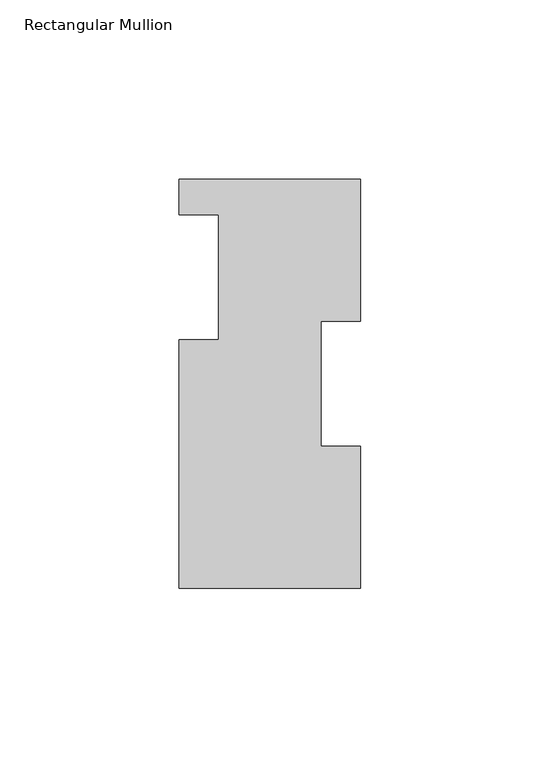
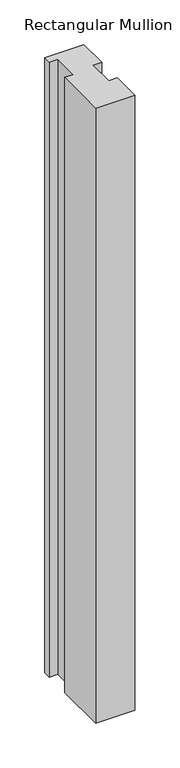
"""IFC4 building model written with IfcOpenShell, lengths in millimetres: member geometry, Rectangular Mullion."""

from ifc_helpers import new_model, si_unit, frame, origin, place, context, project, spatial, polyline, outline, extrude, source, transform, mapped, element, save


def rectangular_mullion_f3f71e32(model_context):
    return source(origin(), model_context, "Body", "SweptSolid", [
        extrude(outline(polyline([(25.4, 114.0729875), (25.4, 74.3981875), (14.2875, 74.3981875), (14.2875, 39.4477875), (25.4, 39.4477875), (25.4, -0.2270125), (-25.4, -0.2270125), (-25.4, 69.2419875), (-14.2875, 69.2419875), (-14.2875, 104.1669875), (-25.4, 104.1669875), (-25.4, 114.0729875), (25.4, 114.0729875)])), frame((0.0, 0.0, -841.375), z_axis=(0.0, 0.0, 1.0), x_axis=(1.0, 0.0, 0.0)), (0.0, 0.0, 1.0), 841.375),
    ])


if __name__ == "__main__":
    model = new_model("IFC4")
    model_context = context("Model", 3, world=origin())
    ifc_project = project(units=[si_unit("LENGTHUNIT", "METRE", prefix="MILLI")], contexts=[model_context])
    site = spatial("IfcSite", under=ifc_project)
    building = spatial("IfcBuilding", under=site)
    placement = place(None, origin())
    rectangular_mullion_shape = rectangular_mullion_f3f71e32(model_context)
    element("IfcMember", 1, ObjectType="Rectangular Mullion", at=placement, inside=building, context=model_context, shape_type="MappedRepresentation", body=[
        mapped(rectangular_mullion_shape, transform((0.0, 0.0, 0.0), x_axis=(1.0, 0.0, 0.0), y_axis=(0.0, 1.0, 0.0), z_axis=(0.0, 0.0, 1.0))),
    ])
    save(model, "model.ifc")
